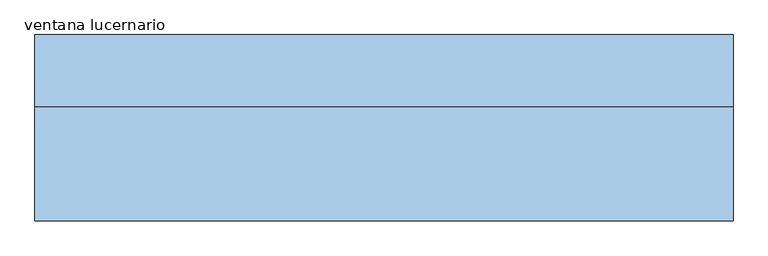
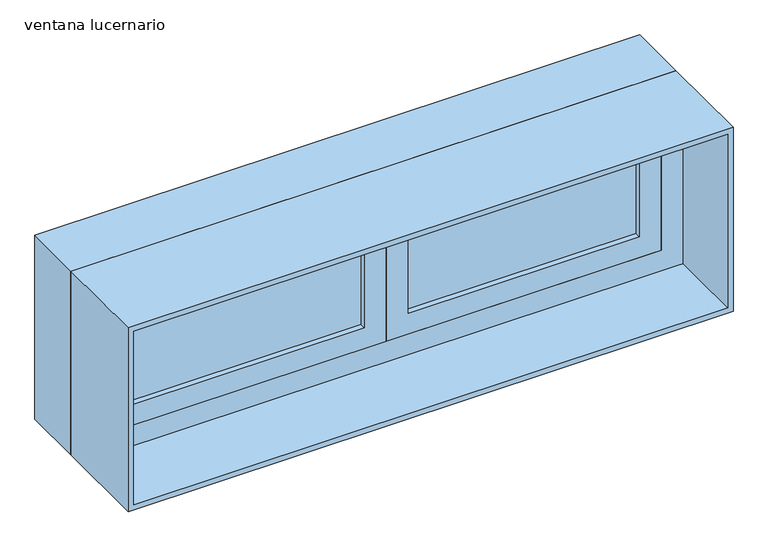
"""IFC4 building model written with IfcOpenShell, lengths in millimetres: window geometry, ventana lucernario."""

from ifc_helpers import new_model, si_unit, frame, origin, place, context, project, spatial, polyline, outline, extrude, source, transform, mapped, element, save


def ventana_lucernario_d0398efd(model_context):
    return source(origin(), model_context, "Body", "SweptSolid", [
        extrude(outline(polyline([(1255.0, -750.0), (875.0, -750.0), (875.0, 0.0), (1255.0, 0.0), (1255.0, -750.0)]), holes=[polyline([(1195.0, -60.0), (935.0, -60.0), (935.0, -690.0), (1195.0, -690.0), (1195.0, -60.0)])]), frame((0.0, -135.0, 0.0), z_axis=(0.0, 1.0, 0.0), x_axis=(0.0, 0.0, 1.0)), (0.0, 0.0, 1.0), 60.0),
        extrude(outline(polyline([(1255.0, 0.0), (875.0, 0.0), (875.0, 750.0), (1255.0, 750.0), (1255.0, 0.0)]), holes=[polyline([(1195.0, 60.0), (1195.0, 690.0), (935.0, 690.0), (935.0, 60.0), (1195.0, 60.0)])]), frame((0.0, -135.0, 0.0), z_axis=(0.0, 1.0, 0.0), x_axis=(0.0, 0.0, 1.0)), (0.0, 0.0, 1.0), 60.0),
        extrude(outline(polyline([(1330.0, 825.0), (1330.0, -825.0), (800.0, -825.0), (800.0, 825.0), (1330.0, 825.0)]), holes=[polyline([(815.0, 810.0), (815.0, -810.0), (1315.0, -810.0), (1315.0, 810.0), (815.0, 810.0)])]), frame((0.0, -75.0, 0.0), z_axis=(0.0, 1.0, 0.0), x_axis=(0.0, 0.0, 1.0)), (0.0, 0.0, 1.0), 170.0),
        extrude(outline(polyline([(1330.0, -825.0), (800.0, -825.0), (800.0, 825.0), (1330.0, 825.0), (1330.0, -825.0)]), holes=[polyline([(815.0, 810.0), (815.0, -810.0), (1315.0, -810.0), (1315.0, 810.0), (815.0, 810.0)])]), frame((0.0, -345.0, 0.0), z_axis=(0.0, 1.0, 0.0), x_axis=(0.0, 0.0, 1.0)), (0.0, 0.0, 1.0), 270.0),
        extrude(outline(polyline([(690.0, -90.0), (690.0, -120.0), (60.0, -120.0), (60.0, -90.0), (690.0, -90.0)])), frame((0.0, 0.0, 935.0), z_axis=(0.0, 0.0, 1.0), x_axis=(1.0, 0.0, 0.0)), (0.0, 0.0, 1.0), 260.0),
        extrude(outline(polyline([(-60.0, -90.0), (-60.0, -120.0), (-690.0, -120.0), (-690.0, -90.0), (-60.0, -90.0)])), frame((0.0, 0.0, 935.0), z_axis=(0.0, 0.0, 1.0), x_axis=(1.0, 0.0, 0.0)), (0.0, 0.0, 1.0), 260.0),
        extrude(outline(polyline([(1315.0, -810.0), (815.0, -810.0), (815.0, 810.0), (1315.0, 810.0), (1315.0, -810.0)]), holes=[polyline([(1255.0, -750.0), (1255.0, 750.0), (875.0, 750.0), (875.0, -750.0), (1255.0, -750.0)])]), frame((0.0, -135.0, 0.0), z_axis=(0.0, 1.0, 0.0), x_axis=(0.0, 0.0, 1.0)), (0.0, 0.0, 1.0), 60.0),
    ])


if __name__ == "__main__":
    model = new_model("IFC4")
    model_context = context("Model", 3, world=origin())
    ifc_project = project(units=[si_unit("LENGTHUNIT", "METRE", prefix="MILLI")], contexts=[model_context])
    site = spatial("IfcSite", under=ifc_project)
    building = spatial("IfcBuilding", under=site)
    placement = place(None, origin())
    ventana_lucernario_shape = ventana_lucernario_d0398efd(model_context)
    element("IfcWindow", 1, ObjectType="ventana lucernario", at=placement, inside=building, context=model_context, shape_type="MappedRepresentation", body=[
        mapped(ventana_lucernario_shape, transform((0.0, 0.0, 0.0), x_axis=(1.0, 0.0, 0.0), y_axis=(0.0, 1.0, 0.0), z_axis=(0.0, 0.0, 1.0))),
    ])
    save(model, "model.ifc")
